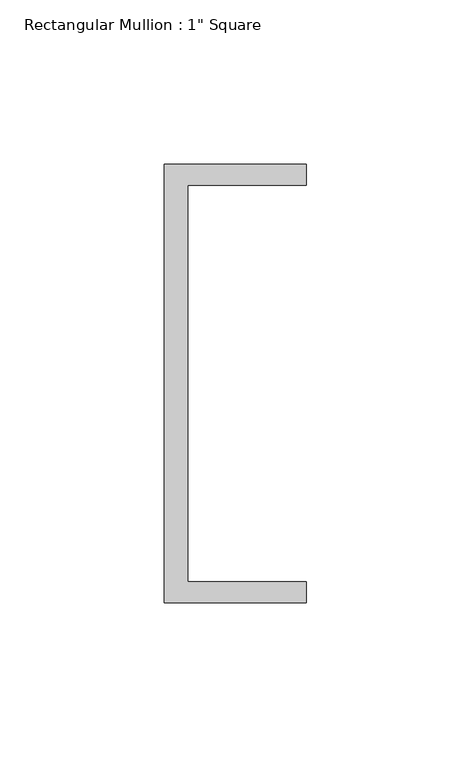
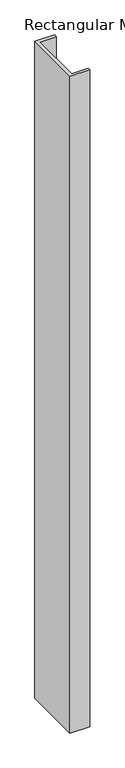
"""IFC4 building model written with IfcOpenShell, lengths in millimetres: member geometry."""

from ifc_helpers import new_model, si_unit, frame, origin, place, context, project, spatial, polyline, outline, extrude, source, transform, mapped, element, save


def member_65a525d3(model_context):
    return source(origin(), model_context, "Body", "SweptSolid", [
        extrude(outline(polyline([(-43.2224547, 135.2608739), (0.0, 135.2608739), (0.0, 128.9108739), (-36.1785969, 128.9108739), (-36.1785969, 8.2608739), (0.0, 8.2608739), (0.0, 1.9108739), (-43.2224547, 1.9108739), (-43.2224547, 135.2608739)])), frame((0.0, 0.0, -1524.0), z_axis=(0.0, 0.0, 1.0), x_axis=(1.0, 0.0, 0.0)), (0.0, 0.0, 1.0), 1524.0),
    ])


if __name__ == "__main__":
    model = new_model("IFC4")
    model_context = context("Model", 3, world=origin())
    ifc_project = project(units=[si_unit("LENGTHUNIT", "METRE", prefix="MILLI")], contexts=[model_context])
    site = spatial("IfcSite", under=ifc_project)
    building = spatial("IfcBuilding", under=site)
    placement = place(None, origin())
    member_shape = member_65a525d3(model_context)
    element("IfcMember", 1, ObjectType="Rectangular Mullion : 1\" Square", at=placement, inside=building, context=model_context, shape_type="MappedRepresentation", body=[
        mapped(member_shape, transform((0.0, 0.0, 0.0), x_axis=(1.0, 0.0, 0.0), y_axis=(0.0, 1.0, 0.0), z_axis=(0.0, 0.0, 1.0))),
    ])
    save(model, "model.ifc")
